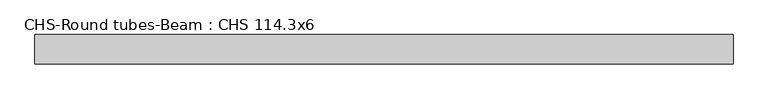
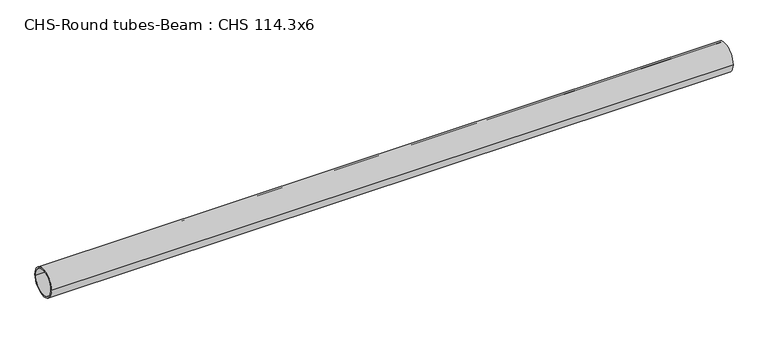
"""IFC4 building model written with IfcOpenShell, lengths in millimetres: beam geometry, CHS-Round tubes-Beam : CHS 114.3x6."""

from ifc_helpers import new_model, si_unit, point, frame, origin, origin_2d, place, context, project, spatial, circle_curve, trimmed, segment, composite_curve, outline, extrude, source, transform, mapped, element, save


def chs_round_tubes_beam_chs_114_3x6_94bade88(model_context):
    return source(origin(), model_context, "Body", "SweptSolid", [
        extrude(outline(composite_curve([segment(trimmed(circle_curve(origin_2d(), 57.15), [point((57.15, 0.0))], [point((-57.15, 0.0))], False, "CARTESIAN"), True, "CONTINUOUS"), segment(trimmed(circle_curve(origin_2d(), 57.15), [point((-57.15, 0.0))], [point((57.15, 0.0))], False, "CARTESIAN"), True, "CONTINUOUS")], self_intersect=False), holes=[composite_curve([segment(trimmed(circle_curve(origin_2d(), 51.15), [point((51.15, 0.0))], [point((-51.15, 0.0))], True, "CARTESIAN"), True, "CONTINUOUS"), segment(trimmed(circle_curve(origin_2d(), 51.15), [point((-51.15, 0.0))], [point((51.15, 0.0))], True, "CARTESIAN"), True, "CONTINUOUS")], self_intersect=False)]), frame((-1364.6075325, 0.0, 0.0), z_axis=(1.0, 0.0, 0.0), x_axis=(0.0, 1.0, 0.0)), (0.0, 0.0, 1.0), 2734.9943694),
    ])


if __name__ == "__main__":
    model = new_model("IFC4")
    model_context = context("Model", 3, world=origin())
    ifc_project = project(units=[si_unit("LENGTHUNIT", "METRE", prefix="MILLI")], contexts=[model_context])
    site = spatial("IfcSite", under=ifc_project)
    building = spatial("IfcBuilding", under=site)
    placement = place(None, origin())
    chs_round_tubes_beam_chs_114_3x6_shape = chs_round_tubes_beam_chs_114_3x6_94bade88(model_context)
    element("IfcBeam", 1, ObjectType="CHS-Round tubes-Beam : CHS 114.3x6", at=placement, inside=building, context=model_context, shape_type="MappedRepresentation", body=[
        mapped(chs_round_tubes_beam_chs_114_3x6_shape, transform((0.0, 0.0, 0.0), x_axis=(1.0, 0.0, 0.0), y_axis=(0.0, 1.0, 0.0), z_axis=(0.0, 0.0, 1.0))),
    ])
    save(model, "model.ifc")
